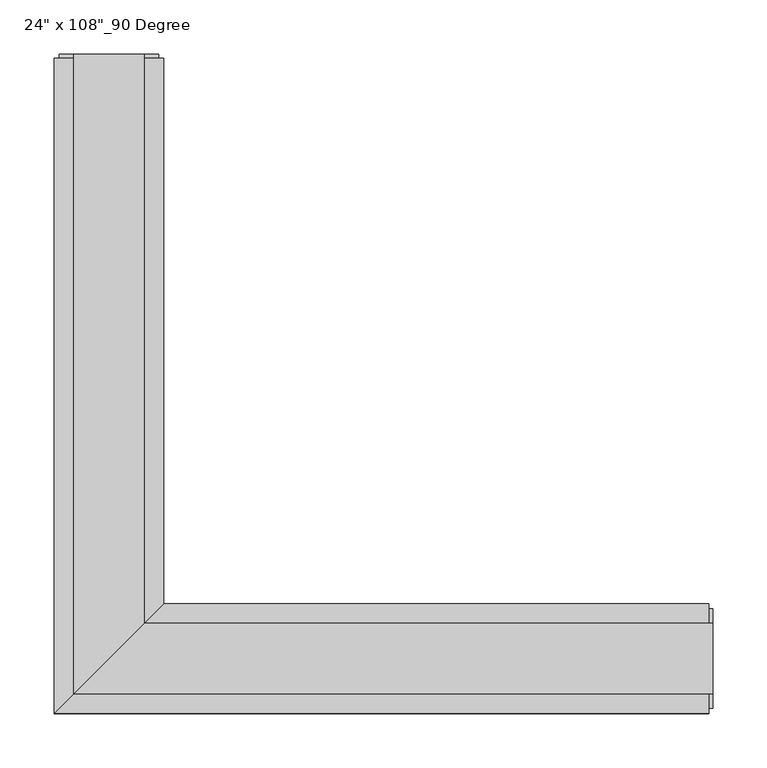
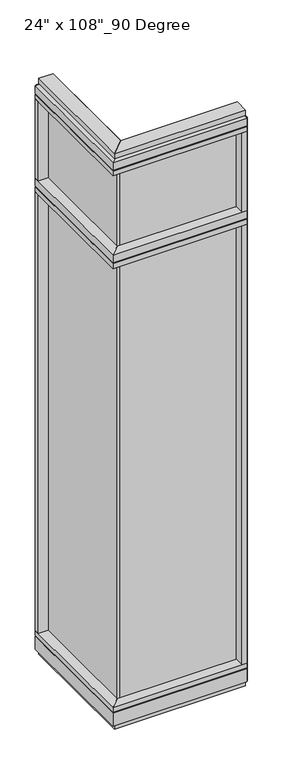
"""IFC4 building model written with IfcOpenShell, lengths in millimetres: furniture geometry."""

from ifc_helpers import new_model, si_unit, frame, origin, origin_with_axes, place, context, project, spatial, polyline, outline, extrude, faceted_brep, source, transform, mapped, element, save


def furniture_fd3e18f7(model_context):
    return source(origin(), model_context, "Body", "SolidModel", [
        extrude(outline(polyline([(-319.1165229, 528.1202784), (-308.9565229, 528.1202784), (-308.9565229, -9.5977216), (-319.1165229, -9.5977216), (-319.1165229, 528.1202784)])), frame((0.0, 0.0, 2276.475), z_axis=(0.0, 0.0, 1.0), x_axis=(1.0, 0.0, 0.0)), (0.0, 0.0, 1.0), 355.6),
        extrude(outline(polyline([(-319.1165229, 528.1202784), (-308.9565229, 528.1202784), (-308.9565229, -9.5977216), (-319.1165229, -9.5977216), (-319.1165229, 528.1202784)])), frame((0.0, 0.0, 120.523), z_axis=(0.0, 0.0, 1.0), x_axis=(1.0, 0.0, 0.0)), (0.0, 0.0, 1.0), 2114.677),
        extrude(outline(polyline([(-263.2365229, 550.3452784), (-263.2365229, 46.2822784), (-364.8365229, -55.3177216), (-364.8365229, 550.3452784), (-263.2365229, 550.3452784)])), frame((0.0, 0.0, 2212.975), z_axis=(0.0, 0.0, 1.0), x_axis=(1.0, 0.0, 0.0)), (0.0, 0.0, 1.0), 22.225),
        faceted_brep([(-263.2365229, 46.2822784, 2240.153), (-263.2365229, 46.2822784, 2276.475), (-364.8365229, -55.3177216, 2276.475), (-364.8365229, -55.3177216, 2240.153), (-359.8835229, -50.3647216, 2240.153), (-359.8835229, -50.3647216, 2235.2), (-268.1895229, 41.3292784, 2235.2), (-268.1895229, 41.3292784, 2240.153), (-263.2365229, 550.3452784, 2240.153), (-268.1895229, 550.3452784, 2240.153), (-268.1895229, 550.3452784, 2235.2), (-359.8835229, 550.3452784, 2235.2), (-359.8835229, 550.3452784, 2240.153), (-364.8365229, 550.3452784, 2240.153), (-364.8365229, 550.3452784, 2276.475), (-263.2365229, 550.3452784, 2276.475)], [[[0, 1, 2, 3, 4, 5, 6, 7]], [[8, 9, 10, 11, 12, 13, 14, 15]], [[8, 0, 7, 9]], [[13, 3, 2, 14]], [[14, 2, 1, 15]], [[15, 1, 0, 8]], [[9, 7, 6, 10]], [[10, 6, 5, 11]], [[11, 5, 4, 12]], [[12, 4, 3, 13]]]),
        extrude(outline(polyline([(-364.8365229, 528.1202784), (-364.8365229, 550.3452784), (-263.2365229, 550.3452784), (-263.2365229, 528.1202784), (-364.8365229, 528.1202784)])), frame((0.0, 0.0, 2276.475), z_axis=(0.0, 0.0, 1.0), x_axis=(1.0, 0.0, 0.0)), (0.0, 0.0, 1.0), 377.825),
        extrude(outline(polyline([(-263.2365229, 550.3452784), (-263.2365229, 46.2822784), (-364.8365229, -55.3177216), (-364.8365229, 550.3452784), (-263.2365229, 550.3452784)])), frame((0.0, 0.0, 2654.3), z_axis=(0.0, 0.0, 1.0), x_axis=(1.0, 0.0, 0.0)), (0.0, 0.0, 1.0), 22.225),
        faceted_brep([(-263.2365229, 46.2822784, 2681.478), (-263.2365229, 46.2822784, 2717.8), (-364.8365229, -55.3177216, 2717.8), (-364.8365229, -55.3177216, 2681.478), (-359.8835229, -50.3647216, 2681.478), (-359.8835229, -50.3647216, 2676.525), (-268.1895229, 41.3292784, 2676.525), (-268.1895229, 41.3292784, 2681.478), (-263.2365229, 550.3452784, 2681.478), (-268.1895229, 550.3452784, 2681.478), (-268.1895229, 550.3452784, 2676.525), (-359.8835229, 550.3452784, 2676.525), (-359.8835229, 550.3452784, 2681.478), (-364.8365229, 550.3452784, 2681.478), (-364.8365229, 550.3452784, 2717.8), (-263.2365229, 550.3452784, 2717.8)], [[[0, 1, 2, 3, 4, 5, 6, 7]], [[8, 9, 10, 11, 12, 13, 14, 15]], [[8, 0, 7, 9]], [[13, 3, 2, 14]], [[14, 2, 1, 15]], [[15, 1, 0, 8]], [[9, 7, 6, 10]], [[10, 6, 5, 11]], [[11, 5, 4, 12]], [[12, 4, 3, 13]]]),
        extrude(outline(polyline([(-281.5245229, 554.2822784), (-281.5245229, 27.9942784), (-346.5485229, -37.0297216), (-346.5485229, 554.2822784), (-281.5245229, 554.2822784)])), frame((0.0, 0.0, 2717.8), z_axis=(0.0, 0.0, 1.0), x_axis=(1.0, 0.0, 0.0)), (0.0, 0.0, 1.0), 25.4),
        faceted_brep([(-268.1895229, 41.3292784, 93.345), (-268.1895229, 41.3292784, 98.298), (-359.8835229, -50.3647216, 98.298), (-359.8835229, -50.3647216, 93.345), (-364.8365229, -55.3177216, 93.345), (-364.8365229, -55.3177216, 31.75), (-263.2365229, 46.2822784, 31.75), (-263.2365229, 46.2822784, 93.345), (-263.2365229, 550.3452784, 93.345), (-263.2365229, 550.3452784, 31.75), (-364.8365229, 550.3452784, 31.75), (-364.8365229, 550.3452784, 93.345), (-359.8835229, 550.3452784, 93.345), (-359.8835229, 550.3452784, 98.298), (-268.1895229, 550.3452784, 98.298), (-268.1895229, 550.3452784, 93.345)], [[[0, 1, 2, 3, 4, 5, 6, 7]], [[8, 9, 10, 11, 12, 13, 14, 15]], [[15, 0, 7, 8]], [[10, 5, 4, 11]], [[9, 6, 5, 10]], [[8, 7, 6, 9]], [[14, 1, 0, 15]], [[13, 2, 1, 14]], [[12, 3, 2, 13]], [[11, 4, 3, 12]]]),
        extrude(outline(polyline([(-263.2365229, 550.3452784), (-263.2365229, 46.2822784), (-364.8365229, -55.3177216), (-364.8365229, 550.3452784), (-263.2365229, 550.3452784)])), frame((0.0, 0.0, 98.298), z_axis=(0.0, 0.0, 1.0), x_axis=(1.0, 0.0, 0.0)), (0.0, 0.0, 1.0), 22.225),
        extrude(outline(polyline([(-281.5245229, 554.2822784), (-281.5245229, 27.9942784), (-346.5485229, -37.0297216), (-346.5485229, 554.2822784), (-281.5245229, 554.2822784)])), origin_with_axes(), (0.0, 0.0, 1.0), 31.75),
        extrude(outline(polyline([(-364.8365229, 528.1202784), (-364.8365229, 550.3452784), (-263.2365229, 550.3452784), (-263.2365229, 528.1202784), (-364.8365229, 528.1202784)])), frame((0.0, 0.0, 120.523), z_axis=(0.0, 0.0, 1.0), x_axis=(1.0, 0.0, 0.0)), (0.0, 0.0, 1.0), 2092.452),
        extrude(outline(polyline([(-359.8835229, 554.2822784), (-268.1895229, 554.2822784), (-268.1895229, 550.3452784), (-359.8835229, 550.3452784), (-359.8835229, 554.2822784)])), frame((0.0, 0.0, 31.75), z_axis=(0.0, 0.0, 1.0), x_axis=(1.0, 0.0, 0.0)), (0.0, 0.0, 1.0), 2686.05),
        extrude(outline(polyline([(218.6014771, -9.5977216), (-319.1165229, -9.5977216), (-319.1165229, 0.5622784), (218.6014771, 0.5622784), (218.6014771, -9.5977216)])), frame((0.0, 0.0, 2276.475), z_axis=(0.0, 0.0, 1.0), x_axis=(1.0, 0.0, 0.0)), (0.0, 0.0, 1.0), 355.6),
        extrude(outline(polyline([(218.6014771, -9.5977216), (-319.1165229, -9.5977216), (-319.1165229, 0.5622784), (218.6014771, 0.5622784), (218.6014771, -9.5977216)])), frame((0.0, 0.0, 120.523), z_axis=(0.0, 0.0, 1.0), x_axis=(1.0, 0.0, 0.0)), (0.0, 0.0, 1.0), 2114.677),
        extrude(outline(polyline([(240.8264771, 46.2822784), (240.8264771, -55.3177216), (-364.8365229, -55.3177216), (-263.2365229, 46.2822784), (240.8264771, 46.2822784)])), frame((0.0, 0.0, 2212.975), z_axis=(0.0, 0.0, 1.0), x_axis=(1.0, 0.0, 0.0)), (0.0, 0.0, 1.0), 22.225),
        faceted_brep([(-263.2365229, 46.2822784, 2240.153), (-268.1895229, 41.3292784, 2240.153), (-268.1895229, 41.3292784, 2235.2), (-359.8835229, -50.3647216, 2235.2), (-359.8835229, -50.3647216, 2240.153), (-364.8365229, -55.3177216, 2240.153), (-364.8365229, -55.3177216, 2276.475), (-263.2365229, 46.2822784, 2276.475), (240.8264771, 46.2822784, 2240.153), (240.8264771, 46.2822784, 2276.475), (240.8264771, -55.3177216, 2276.475), (240.8264771, -55.3177216, 2240.153), (240.8264771, -50.3647216, 2240.153), (240.8264771, -50.3647216, 2235.2), (240.8264771, 41.3292784, 2235.2), (240.8264771, 41.3292784, 2240.153)], [[[0, 1, 2, 3, 4, 5, 6, 7]], [[8, 9, 10, 11, 12, 13, 14, 15]], [[8, 15, 1, 0]], [[11, 10, 6, 5]], [[10, 9, 7, 6]], [[9, 8, 0, 7]], [[15, 14, 2, 1]], [[14, 13, 3, 2]], [[13, 12, 4, 3]], [[12, 11, 5, 4]]]),
        extrude(outline(polyline([(218.6014771, -55.3177216), (218.6014771, 46.2822784), (240.8264771, 46.2822784), (240.8264771, -55.3177216), (218.6014771, -55.3177216)])), frame((0.0, 0.0, 2276.475), z_axis=(0.0, 0.0, 1.0), x_axis=(1.0, 0.0, 0.0)), (0.0, 0.0, 1.0), 377.825),
        extrude(outline(polyline([(240.8264771, 46.2822784), (240.8264771, -55.3177216), (-364.8365229, -55.3177216), (-263.2365229, 46.2822784), (240.8264771, 46.2822784)])), frame((0.0, 0.0, 2654.3), z_axis=(0.0, 0.0, 1.0), x_axis=(1.0, 0.0, 0.0)), (0.0, 0.0, 1.0), 22.225),
        faceted_brep([(-263.2365229, 46.2822784, 2681.478), (-268.1895229, 41.3292784, 2681.478), (-268.1895229, 41.3292784, 2676.525), (-359.8835229, -50.3647216, 2676.525), (-359.8835229, -50.3647216, 2681.478), (-364.8365229, -55.3177216, 2681.478), (-364.8365229, -55.3177216, 2717.8), (-263.2365229, 46.2822784, 2717.8), (240.8264771, 46.2822784, 2681.478), (240.8264771, 46.2822784, 2717.8), (240.8264771, -55.3177216, 2717.8), (240.8264771, -55.3177216, 2681.478), (240.8264771, -50.3647216, 2681.478), (240.8264771, -50.3647216, 2676.525), (240.8264771, 41.3292784, 2676.525), (240.8264771, 41.3292784, 2681.478)], [[[0, 1, 2, 3, 4, 5, 6, 7]], [[8, 9, 10, 11, 12, 13, 14, 15]], [[8, 15, 1, 0]], [[11, 10, 6, 5]], [[10, 9, 7, 6]], [[9, 8, 0, 7]], [[15, 14, 2, 1]], [[14, 13, 3, 2]], [[13, 12, 4, 3]], [[12, 11, 5, 4]]]),
        extrude(outline(polyline([(244.7634771, 27.9942784), (244.7634771, -37.0297216), (-346.5485229, -37.0297216), (-281.5245229, 27.9942784), (244.7634771, 27.9942784)])), frame((0.0, 0.0, 2717.8), z_axis=(0.0, 0.0, 1.0), x_axis=(1.0, 0.0, 0.0)), (0.0, 0.0, 1.0), 25.4),
        faceted_brep([(-268.1895229, 41.3292784, 93.345), (-263.2365229, 46.2822784, 93.345), (-263.2365229, 46.2822784, 31.75), (-364.8365229, -55.3177216, 31.75), (-364.8365229, -55.3177216, 93.345), (-359.8835229, -50.3647216, 93.345), (-359.8835229, -50.3647216, 98.298), (-268.1895229, 41.3292784, 98.298), (240.8264771, 46.2822784, 93.345), (240.8264771, 41.3292784, 93.345), (240.8264771, 41.3292784, 98.298), (240.8264771, -50.3647216, 98.298), (240.8264771, -50.3647216, 93.345), (240.8264771, -55.3177216, 93.345), (240.8264771, -55.3177216, 31.75), (240.8264771, 46.2822784, 31.75)], [[[0, 1, 2, 3, 4, 5, 6, 7]], [[8, 9, 10, 11, 12, 13, 14, 15]], [[9, 8, 1, 0]], [[14, 13, 4, 3]], [[15, 14, 3, 2]], [[8, 15, 2, 1]], [[10, 9, 0, 7]], [[11, 10, 7, 6]], [[12, 11, 6, 5]], [[13, 12, 5, 4]]]),
        extrude(outline(polyline([(240.8264771, 46.2822784), (240.8264771, -55.3177216), (-364.8365229, -55.3177216), (-263.2365229, 46.2822784), (240.8264771, 46.2822784)])), frame((0.0, 0.0, 98.298), z_axis=(0.0, 0.0, 1.0), x_axis=(1.0, 0.0, 0.0)), (0.0, 0.0, 1.0), 22.225),
        extrude(outline(polyline([(244.7634771, 27.9942784), (244.7634771, -37.0297216), (-346.5485229, -37.0297216), (-281.5245229, 27.9942784), (244.7634771, 27.9942784)])), origin_with_axes(), (0.0, 0.0, 1.0), 31.75),
        extrude(outline(polyline([(218.6014771, -55.3177216), (218.6014771, 46.2822784), (240.8264771, 46.2822784), (240.8264771, -55.3177216), (218.6014771, -55.3177216)])), frame((0.0, 0.0, 120.523), z_axis=(0.0, 0.0, 1.0), x_axis=(1.0, 0.0, 0.0)), (0.0, 0.0, 1.0), 2092.452),
        extrude(outline(polyline([(244.7634771, -50.3647216), (240.8264771, -50.3647216), (240.8264771, 41.3292784), (244.7634771, 41.3292784), (244.7634771, -50.3647216)])), frame((0.0, 0.0, 31.75), z_axis=(0.0, 0.0, 1.0), x_axis=(1.0, 0.0, 0.0)), (0.0, 0.0, 1.0), 2686.05),
    ])


if __name__ == "__main__":
    model = new_model("IFC4")
    model_context = context("Model", 3, world=origin())
    ifc_project = project(units=[si_unit("LENGTHUNIT", "METRE", prefix="MILLI")], contexts=[model_context])
    site = spatial("IfcSite", under=ifc_project)
    building = spatial("IfcBuilding", under=site)
    placement = place(None, origin())
    furniture_shape = furniture_fd3e18f7(model_context)
    element("IfcFurniture", 1, ObjectType="24\" x 108\"_90 Degree", at=placement, inside=building, context=model_context, shape_type="MappedRepresentation", body=[
        mapped(furniture_shape, transform((0.0, 0.0, 0.0), x_axis=(1.0, 0.0, 0.0), y_axis=(0.0, 1.0, 0.0), z_axis=(0.0, 0.0, 1.0))),
    ])
    save(model, "model.ifc")
